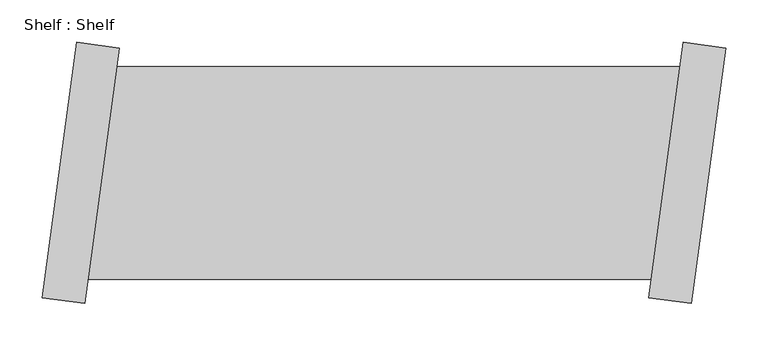
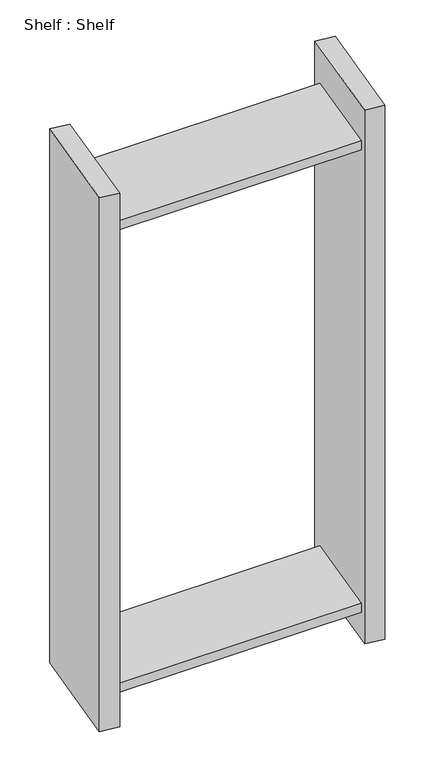
"""IFC4 building model written with IfcOpenShell, lengths in millimetres: proxy geometry, Shelf : Shelf."""

from ifc_helpers import new_model, si_unit, origin, place, context, project, spatial, faceted_brep, source, transform, mapped, element, save


def shelf_shelf_3d1392dd(model_context):
    return source(origin(), model_context, "Body", "Brep", [
        faceted_brep([(-404.6472532, 125.8811164, 1422.4), (-404.6472532, 125.8811164, 1397.0), (-1069.4925196, 125.8811164, 1397.0), (-1069.4925196, 125.8811164, 1422.4), (-438.2891641, -125.8811164, 1397.0), (-1103.1344306, -125.8811164, 1397.0), (-438.2891641, -125.8811164, 1422.4), (-1103.1344306, -125.8811164, 1422.4), (-350.4810731, 147.6931485, 0.0), (-390.8513662, -154.4215307, 0.0), (-441.2038128, -147.6931485, 0.0), (-400.8335196, 154.4215307, 0.0), (-390.8513662, -154.4215307, 1524.0), (-441.2038128, -147.6931485, 1524.0), (-350.4810731, 147.6931485, 1524.0), (-400.8335196, 154.4215307, 1524.0), (-438.2891641, -125.8811164, 76.2), (-404.6472532, 125.8811164, 76.2), (-404.6472532, 125.8811164, 101.6), (-438.2891641, -125.8811164, 101.6), (-1103.1344306, -125.8811164, 76.2), (-1069.4925196, 125.8811164, 76.2), (-1103.1344306, -125.8811164, 101.6), (-1069.4925196, 125.8811164, 101.6), (-1157.3006107, -147.6931485, 0.0), (-1116.9303175, 154.4215307, 0.0), (-1066.577871, 147.6931485, 0.0), (-1106.9481641, -154.4215307, 0.0), (-1106.9481641, -154.4215307, 1524.0), (-1157.3006107, -147.6931485, 1524.0), (-1066.577871, 147.6931485, 1524.0), (-1116.9303175, 154.4215307, 1524.0)], [[[0, 1, 2, 3]], [[1, 4, 5, 2]], [[4, 6, 7, 5]], [[6, 0, 3, 7]], [[8, 9, 10, 11]], [[10, 9, 12, 13]], [[13, 12, 14, 15]], [[8, 11, 15, 14]], [[11, 10, 13, 15], [1, 0, 6, 4], [16, 17, 18, 19]], [[9, 8, 14, 12]], [[17, 16, 20, 21]], [[16, 19, 22, 20]], [[19, 18, 23, 22]], [[18, 17, 21, 23]], [[24, 25, 26, 27]], [[24, 27, 28, 29]], [[29, 28, 30, 31]], [[26, 25, 31, 30]], [[27, 26, 30, 28], [3, 2, 5, 7], [21, 20, 22, 23]], [[25, 24, 29, 31]]]),
    ])


if __name__ == "__main__":
    model = new_model("IFC4")
    model_context = context("Model", 3, world=origin())
    ifc_project = project(units=[si_unit("LENGTHUNIT", "METRE", prefix="MILLI")], contexts=[model_context])
    site = spatial("IfcSite", under=ifc_project)
    building = spatial("IfcBuilding", under=site)
    placement = place(None, origin())
    shelf_shelf_shape = shelf_shelf_3d1392dd(model_context)
    element("IfcBuildingElementProxy", 1, Name="Shelf : Shelf", ObjectType="Shelf : Shelf", at=placement, inside=building, context=model_context, shape_type="MappedRepresentation", body=[
        mapped(shelf_shelf_shape, transform((0.0, 0.0, 0.0), x_axis=(1.0, 0.0, 0.0), y_axis=(0.0, 1.0, 0.0), z_axis=(0.0, 0.0, 1.0))),
    ])
    save(model, "model.ifc")
